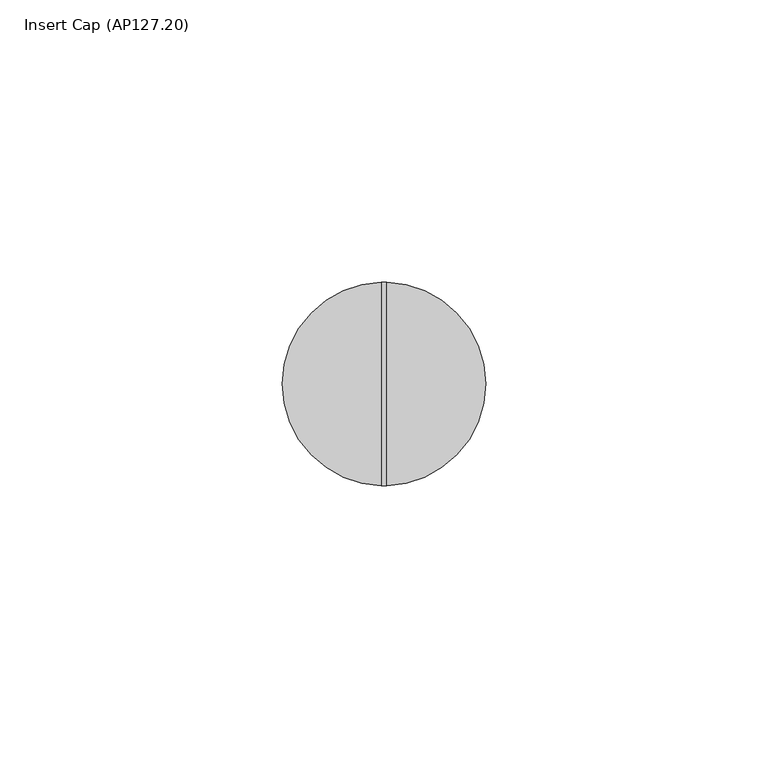
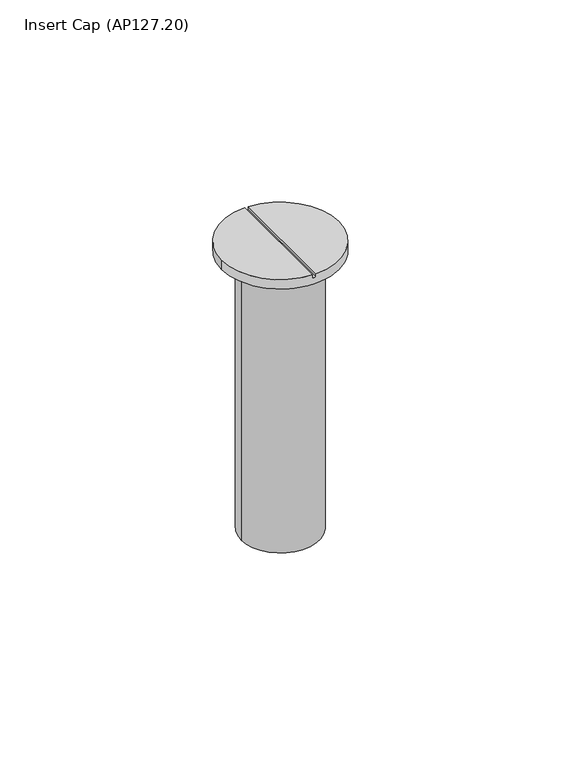
"""IFC4 building model written with IfcOpenShell, lengths in millimetres: proxy geometry, Insert Cap (AP127.20)."""

from ifc_helpers import new_model, si_unit, frame, origin, origin_with_axes, place, context, project, spatial, circle_curve, source, transform, mapped, element, save
from ifc_brep_helpers import plane_surface, cylinder_surface, advanced_brep


def insert_cap_ap127_20_301e910f(model_context):
    return source(origin(), model_context, "Body", "AdvancedBrep", [
        advanced_brep(
        [(-0.4881608, 17.9933793, 3.0), (-18.0, 0.0, 3.0), (-0.4881608, -17.9933793, 3.0), (18.0, 0.0, 3.0), (0.5118392, 17.9927213, 3.0), (0.5118392, -17.9927213, 3.0), (18.0, 0.0, 0.0), (-18.0, 0.0, 0.0), (0.5118392, -17.9927213, 2.0), (-0.4881608, -17.9933793, 2.0), (-0.4881608, 17.9933793, 2.0), (0.5118392, 17.9927213, 2.0)],
        [
            (0, 1, circle_curve(frame((0.0, 0.0, 3.0), z_axis=(0.0, 0.0, 1.0), x_axis=(-1.0, 0.0, 0.0)), 18.0)),
            (1, 2, circle_curve(frame((0.0, 0.0, 3.0), z_axis=(0.0, 0.0, 1.0), x_axis=(-1.0, 0.0, 0.0)), 18.0)),
            (2, 0),
            (3, 4, circle_curve(frame((0.0, 0.0, 3.0), z_axis=(0.0, 0.0, 1.0), x_axis=(-1.0, 0.0, 0.0)), 18.0)),
            (4, 5),
            (5, 3, circle_curve(frame((0.0, 0.0, 3.0), z_axis=(0.0, 0.0, 1.0), x_axis=(-1.0, 0.0, 0.0)), 18.0)),
            (6, 7, circle_curve(frame((0.0, 0.0, 0.0), z_axis=(0.0, 0.0, -1.0), x_axis=(-1.0, 0.0, 0.0)), 18.0)),
            (7, 6, circle_curve(frame((0.0, 0.0, 0.0), z_axis=(0.0, 0.0, -1.0), x_axis=(-1.0, 0.0, 0.0)), 18.0)),
            (6, 3),
            (5, 8),
            (8, 9, circle_curve(frame((0.0, 0.0, 2.0), z_axis=(0.0, 0.0, -1.0), x_axis=(-1.0, 0.0, 0.0)), 18.0)),
            (9, 2),
            (1, 7),
            (0, 10),
            (10, 11, circle_curve(frame((0.0, 0.0, 2.0), z_axis=(0.0, 0.0, -1.0), x_axis=(-1.0, 0.0, 0.0)), 18.0)),
            (11, 4),
            (9, 10),
            (8, 11),
        ],
        [
            plane_surface(frame((-18.0, 0.0, 3.0), z_axis=(0.0, 0.0, 1.0), x_axis=(0.0, -1.0, 0.0))),
            plane_surface(frame((-18.0, 0.0, 0.0), z_axis=(0.0, 0.0, -1.0), x_axis=(0.0, 1.0, 0.0))),
            cylinder_surface(frame((0.0, 0.0, 3.0), z_axis=(0.0, 0.0, -1.0), x_axis=(-1.0, 0.0, 0.0)), 18.0),
            plane_surface(frame((-0.4881608, -25.0, 3.0), z_axis=(1.0, 0.0, 0.0), x_axis=(0.0, 1.0, 0.0))),
            plane_surface(frame((-0.4881608, -25.0, 2.0), z_axis=(0.0, 0.0, 1.0), x_axis=(0.0, 1.0, 0.0))),
            plane_surface(frame((0.5118392, -25.0, 2.0), z_axis=(-1.0, 0.0, 0.0), x_axis=(0.0, 1.0, 0.0))),
        ],
        [
            (0, [[1, 2, 3]]),
            (0, [[4, 5, 6]]),
            (1, [[7, 8]]),
            (2, [[-7, 9, -6, 10, 11, 12, -2, 13]]),
            (2, [[-8, -13, -1, 14, 15, 16, -4, -9]]),
            (3, [[17, -14, -3, -12]]),
            (4, [[-17, -11, 18, -15]]),
            (5, [[-18, -10, -5, -16]]),
        ],
    ),
        advanced_brep(
        [(0.0, 0.0, 0.0), (12.0, 0.0, 0.0), (-12.0, 0.0, 0.0), (-12.0, 0.0, -90.0), (12.0, 0.0, -90.0), (0.0, 0.0, -90.0)],
        [
            (0, 1),
            (1, 2, circle_curve(origin_with_axes(), 12.0)),
            (2, 0),
            (2, 1, circle_curve(origin_with_axes(), 12.0)),
            (3, 4, circle_curve(frame((0.0, 0.0, -90.0), z_axis=(0.0, 0.0, -1.0), x_axis=(1.0, 0.0, 0.0)), 12.0)),
            (4, 5),
            (5, 3),
            (4, 3, circle_curve(frame((0.0, 0.0, -90.0), z_axis=(0.0, 0.0, -1.0), x_axis=(1.0, 0.0, 0.0)), 12.0)),
            (1, 4),
            (3, 2),
        ],
        [
            plane_surface(origin_with_axes()),
            plane_surface(frame((0.0, 0.0, -90.0), z_axis=(0.0, 0.0, -1.0), x_axis=(1.0, 0.0, 0.0))),
            cylinder_surface(frame((0.0, 0.0, -75.0), z_axis=(0.0, 0.0, 1.0), x_axis=(1.0, 0.0, 0.0)), 12.0),
        ],
        [
            (0, [[1, 2, 3]]),
            (0, [[-3, 4, -1]]),
            (1, [[5, 6, 7]]),
            (1, [[8, -7, -6]]),
            (2, [[-2, 9, -5, 10]]),
            (2, [[-4, -10, -8, -9]]),
        ],
    ),
    ])


if __name__ == "__main__":
    model = new_model("IFC4")
    model_context = context("Model", 3, world=origin())
    ifc_project = project(units=[si_unit("LENGTHUNIT", "METRE", prefix="MILLI")], contexts=[model_context])
    site = spatial("IfcSite", under=ifc_project)
    building = spatial("IfcBuilding", under=site)
    placement = place(None, origin())
    insert_cap_ap127_20_shape = insert_cap_ap127_20_301e910f(model_context)
    element("IfcBuildingElementProxy", 1, Name="Insert Cap (AP127.20)", ObjectType="Insert Cap (AP127.20)", at=placement, inside=building, context=model_context, shape_type="MappedRepresentation", body=[
        mapped(insert_cap_ap127_20_shape, transform((0.0, 0.0, 0.0), x_axis=(1.0, 0.0, 0.0), y_axis=(0.0, 1.0, 0.0), z_axis=(0.0, 0.0, 1.0))),
    ])
    save(model, "model.ifc")
